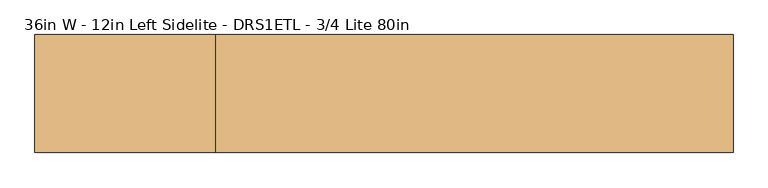
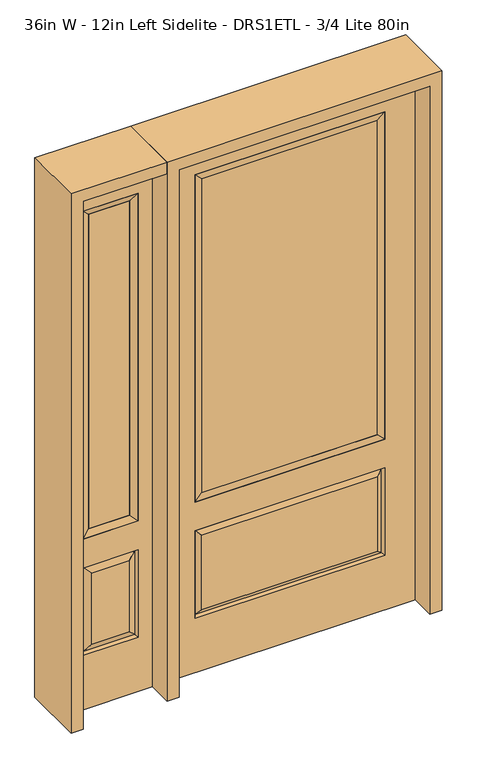
"""IFC4 building model written with IfcOpenShell, lengths in millimetres: door geometry, 36in W - 12in Left Sidelite - DRS1ETL - 3/4 Lite 80in."""

from ifc_helpers import new_model, si_unit, frame, origin, place, context, project, spatial, polyline, outline, extrude, faceted_brep, source, transform, mapped, element, save


def door_36in_w_12in_left_sidelite_drs1etl_3_4_lite_80in_c12c0aec(model_context):
    return source(origin(), model_context, "Body", "SolidModel", [
        faceted_brep([(-806.45, -22.225, 0.0), (-501.65, -22.225, 0.0), (-501.65, -22.225, 2032.0), (-806.45, -22.225, 2032.0), (-553.72, -22.225, 1919.224), (-553.72, -22.225, 657.098), (-754.38, -22.225, 657.098), (-754.38, -22.225, 1919.224), (-553.72, -22.225, 209.55), (-754.38, -22.225, 209.55), (-754.38, -22.225, 546.1), (-553.72, -22.225, 546.1), (-722.6648999, -22.225, 241.2651001), (-585.4351001, -22.225, 241.2651001), (-585.4351001, -22.225, 514.3848999), (-722.6648999, -22.225, 514.3848999), (-806.45, 22.225, 0.0), (-806.45, 22.225, 2032.0), (-501.65, 22.225, 2032.0), (-501.65, 22.225, 0.0), (-553.72, 22.225, 1919.224), (-754.38, 22.225, 1919.224), (-754.38, 22.225, 657.098), (-553.72, 22.225, 657.098), (-754.38, 22.225, 209.55), (-553.72, 22.225, 209.55), (-553.72, 22.225, 546.1), (-754.38, 22.225, 546.1), (-585.4351001, 22.225, 241.2651001), (-722.6648999, 22.225, 241.2651001), (-722.6648999, 22.225, 514.3848999), (-585.4351001, 22.225, 514.3848999), (-560.8288501, 12.7912373, 216.6588501), (-747.2711499, 12.7912373, 216.6588501), (-747.2711499, 12.7912373, 538.9911499), (-560.8288501, 12.7912373, 538.9911499), (-747.2711499, -12.7912373, 216.6588501), (-560.8288501, -12.7912373, 216.6588501), (-747.2711499, -12.7912373, 538.9911499), (-560.8288501, -12.7912373, 538.9911499)], [[[0, 1, 2, 3], [4, 5, 6, 7], [8, 9, 10, 11]], [[12, 13, 14, 15]], [[16, 17, 18, 19], [20, 21, 22, 23], [24, 25, 26, 27]], [[28, 29, 30, 31]], [[1, 0, 16, 19]], [[2, 1, 19, 18]], [[3, 2, 18, 17]], [[0, 3, 17, 16]], [[5, 4, 20, 23]], [[6, 5, 23, 22]], [[7, 6, 22, 21]], [[4, 7, 21, 20]], [[32, 33, 29, 28]], [[33, 32, 25, 24]], [[29, 33, 34, 30]], [[33, 24, 27, 34]], [[30, 34, 35, 31]], [[34, 27, 26, 35]], [[32, 28, 31, 35]], [[25, 32, 35, 26]], [[12, 36, 37, 13]], [[37, 36, 9, 8]], [[36, 12, 15, 38]], [[9, 36, 38, 10]], [[38, 15, 14, 39]], [[10, 38, 39, 11]], [[13, 37, 39, 14]], [[37, 8, 11, 39]]]),
        faceted_brep([(-754.38, 22.225, 1919.224), (-754.38, -22.225, 1919.224), (-553.72, -22.225, 1919.224), (-553.72, 22.225, 1919.224), (-728.98, 12.7, 1893.824), (-579.12, 12.7, 1893.824), (-728.98, -12.7, 1893.824), (-579.12, -12.7, 1893.824), (-553.72, -22.225, 657.098), (-553.72, 22.225, 657.098), (-579.12, 12.7, 682.498), (-579.12, -12.7, 682.498), (-754.38, -22.225, 657.098), (-754.38, 22.225, 657.098), (-728.98, 12.7, 682.498), (-728.98, -12.7, 682.498)], [[[0, 1, 2, 3]], [[4, 0, 3, 5]], [[6, 4, 5, 7]], [[1, 6, 7, 2]], [[3, 2, 8, 9]], [[5, 3, 9, 10]], [[7, 5, 10, 11]], [[2, 7, 11, 8]], [[9, 8, 12, 13]], [[10, 9, 13, 14]], [[11, 10, 14, 15]], [[8, 11, 15, 12]], [[13, 12, 1, 0]], [[14, 13, 0, 4]], [[15, 14, 4, 6]], [[12, 15, 6, 1]]]),
        extrude(outline(polyline([(-579.12, -12.7), (-728.98, -12.7), (-728.98, 12.7), (-579.12, 12.7), (-579.12, -12.7)])), frame((0.0, 0.0, 682.498), z_axis=(0.0, 0.0, 1.0), x_axis=(1.0, 0.0, 0.0)), (0.0, 0.0, 1.0), 1211.326),
        faceted_brep([(-338.9661499, -12.7912373, 216.6588501), (338.9661499, -12.7912373, 216.6588501), (321.46875, -22.225, 234.15625), (-321.46875, -22.225, 234.15625), (-346.075, -22.225, 209.55), (346.075, -22.225, 209.55), (-338.9661499, -12.7912373, 538.9911499), (-346.075, -22.225, 546.1), (321.46875, -22.225, 521.49375), (-321.46875, -22.225, 521.49375), (457.2, -22.225, 2032.0), (-457.2, -22.225, 2032.0), (-457.2, -22.225, 0.0), (457.2, -22.225, 0.0), (346.075, -22.225, 546.1), (346.075, -22.225, 1917.7), (346.075, -22.225, 657.098), (-346.075, -22.225, 657.098), (-346.075, -22.225, 1917.7), (338.9661499, -12.7912373, 538.9911499), (-457.2, 22.225, 2032.0), (-457.2, 22.225, 0.0), (457.2, 22.225, 0.0), (457.2, 22.225, 2032.0), (346.075, 22.225, 1917.7), (346.075, 22.225, 657.098), (-346.075, 22.225, 657.098), (-346.075, 22.225, 1917.7), (-346.075, 22.225, 209.55), (346.075, 22.225, 209.55), (346.075, 22.225, 546.1), (-346.075, 22.225, 546.1), (321.46875, 22.225, 234.15625), (-321.46875, 22.225, 234.15625), (-321.46875, 22.225, 521.49375), (321.46875, 22.225, 521.49375), (-338.9661499, 12.7912373, 216.6588501), (338.9661499, 12.7912373, 216.6588501), (338.9661499, 12.7912373, 538.9911499), (-338.9661499, 12.7912373, 538.9911499)], [[[0, 1, 2, 3]], [[1, 0, 4, 5]], [[4, 0, 6, 7]], [[3, 2, 8, 9]], [[10, 11, 12, 13], [5, 4, 7, 14], [15, 16, 17, 18]], [[1, 5, 14, 19]], [[2, 1, 19, 8]], [[0, 3, 9, 6]], [[7, 6, 19, 14]], [[6, 9, 8, 19]], [[12, 11, 20, 21]], [[13, 12, 21, 22]], [[10, 13, 22, 23]], [[16, 15, 24, 25]], [[17, 16, 25, 26]], [[18, 17, 26, 27]], [[23, 22, 21, 20], [28, 29, 30, 31], [24, 27, 26, 25]], [[32, 33, 34, 35]], [[28, 36, 37, 29]], [[29, 37, 38, 30]], [[39, 31, 30, 38]], [[36, 28, 31, 39]], [[37, 36, 33, 32]], [[33, 36, 39, 34]], [[34, 39, 38, 35]], [[37, 32, 35, 38]], [[11, 10, 23, 20]], [[15, 18, 27, 24]]]),
        faceted_brep([(-346.075, -22.225, 1917.7), (-346.075, 22.225, 1917.7), (-346.075, 22.225, 657.098), (-346.075, -22.225, 657.098), (346.075, 22.225, 657.098), (346.075, -22.225, 657.098), (-320.675, 5.08, 682.498), (320.675, 5.08, 682.498), (346.075, 22.225, 1917.7), (346.075, -22.225, 1917.7), (-320.675, -20.32, 682.498), (320.675, -20.32, 682.498), (-320.675, -20.32, 1892.3), (320.675, -20.32, 1892.3), (-320.675, 5.08, 1892.3), (320.675, 5.08, 1892.3)], [[[0, 1, 2, 3]], [[3, 2, 4, 5]], [[2, 6, 7, 4]], [[5, 4, 8, 9]], [[10, 3, 5, 11]], [[12, 0, 3, 10]], [[11, 5, 9, 13]], [[6, 10, 11, 7]], [[14, 12, 10, 6]], [[7, 11, 13, 15]], [[1, 14, 6, 2]], [[4, 7, 15, 8]], [[9, 8, 1, 0]], [[13, 9, 0, 12]], [[15, 13, 12, 14]], [[8, 15, 14, 1]]]),
        extrude(outline(polyline([(320.675, -20.32), (-320.675, -20.32), (-320.675, 5.08), (320.675, 5.08), (320.675, -20.32)])), frame((0.0, 0.0, 682.498), z_axis=(0.0, 0.0, 1.0), x_axis=(1.0, 0.0, 0.0)), (0.0, 0.0, 1.0), 1209.802),
        extrude(outline(polyline([(2032.0, -501.65), (2076.45, -501.65), (2076.45, -850.9), (0.0, -850.9), (0.0, -806.45), (2032.0, -806.45), (2032.0, -501.65)])), frame((0.0, -114.3, 0.0), z_axis=(0.0, 1.0, 0.0), x_axis=(0.0, 0.0, 1.0)), (0.0, 0.0, 1.0), 228.6),
        extrude(outline(polyline([(2076.45, -501.65), (0.0, -501.65), (0.0, -457.2), (2032.0, -457.2), (2032.0, 457.2), (0.0, 457.2), (0.0, 501.65), (2076.45, 501.65), (2076.45, -501.65)])), frame((0.0, -114.3, 0.0), z_axis=(0.0, 1.0, 0.0), x_axis=(0.0, 0.0, 1.0)), (0.0, 0.0, 1.0), 228.6),
    ])


if __name__ == "__main__":
    model = new_model("IFC4")
    model_context = context("Model", 3, world=origin())
    ifc_project = project(units=[si_unit("LENGTHUNIT", "METRE", prefix="MILLI")], contexts=[model_context])
    site = spatial("IfcSite", under=ifc_project)
    building = spatial("IfcBuilding", under=site)
    placement = place(None, origin())
    door_36in_w_12in_left_sidelite_drs1etl_3_4_lite_80in_shape = door_36in_w_12in_left_sidelite_drs1etl_3_4_lite_80in_c12c0aec(model_context)
    element("IfcDoor", 1, ObjectType="36in W - 12in Left Sidelite - DRS1ETL - 3/4 Lite 80in", at=placement, inside=building, context=model_context, shape_type="MappedRepresentation", body=[
        mapped(door_36in_w_12in_left_sidelite_drs1etl_3_4_lite_80in_shape, transform((0.0, 0.0, 0.0), x_axis=(1.0, 0.0, 0.0), y_axis=(0.0, 1.0, 0.0), z_axis=(0.0, 0.0, 1.0))),
    ])
    save(model, "model.ifc")
